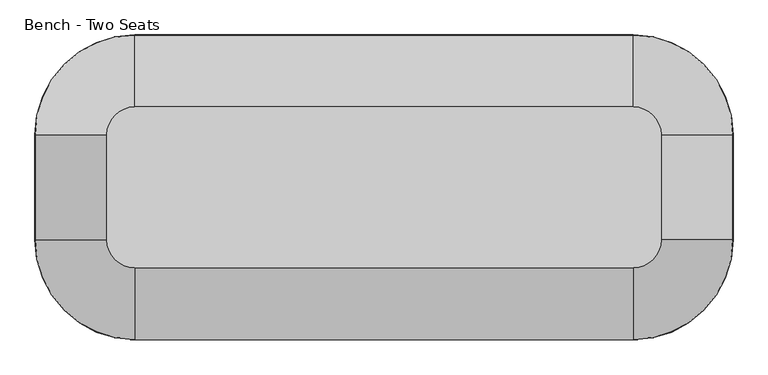
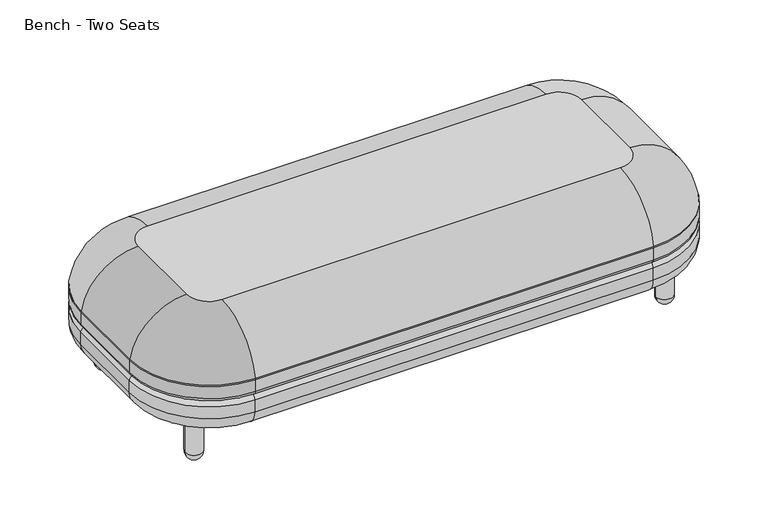
"""IFC4 building model written with IfcOpenShell, lengths in millimetres: furniture geometry, Bench - Two Seats."""

from ifc_helpers import new_model, si_unit, point, frame, origin, place, context, project, spatial, circle_curve, ellipse_curve, trimmed, source, transform, mapped, element, save
from ifc_brep_helpers import plane_surface, cylinder_surface, revolved_surface, advanced_brep


def bench_two_seats_2217c42d(model_context):
    return source(origin(), model_context, "Body", "AdvancedBrep", [
        advanced_brep(
        [(1295.4286011, 315.1683594, 275.7565503), (1524.0286011, 86.5683594, 275.7565503), (1524.0286011, 86.5683594, 239.7125), (1295.4286011, 315.1683594, 239.7125), (152.4286011, 315.1683594, 239.7125), (152.4286011, 315.1683594, 275.7565503), (-76.1713989, 86.5683594, 239.7125), (-76.1713989, 86.5683594, 275.7565503), (-76.1713989, -154.7316406, 239.7125), (-76.1713989, -154.7316406, 275.7565503), (152.4286011, -383.3316406, 239.7125), (152.4286011, -383.3316406, 275.7565503), (1295.4286011, -383.3316406, 239.7125), (1295.4286011, -383.3316406, 275.7565503), (1524.0286011, -154.7316406, 239.7125), (1524.0286011, -154.7316406, 275.7565503), (1511.3286011, 86.5683594, 227.0125), (1511.3286011, -154.7316406, 227.0125), (1295.4286011, -370.6316406, 227.0125), (152.4286011, -370.6316406, 227.0125), (-63.4713989, -154.7316406, 227.0125), (-63.4713989, 86.5683594, 227.0125), (152.4286011, 302.4683594, 227.0125), (1295.4286011, 302.4683594, 227.0125), (152.4286011, -218.2316406, 419.1), (1295.4286011, -218.2316406, 419.1), (1358.9286011, -154.7316406, 419.1), (1358.9286011, 86.5683594, 419.1), (1295.4286011, 150.0683594, 419.1), (152.4286011, 150.0683594, 419.1), (88.9286011, 86.5683594, 419.1), (88.9286011, -154.7316406, 419.1), (1523.6689183, 86.5683594, 280.0159534), (1295.4286011, 314.8086766, 280.0159534), (152.4286011, 314.8086766, 280.0159534), (-75.8117161, 86.5683594, 280.0159534), (-75.8117161, -154.7316406, 280.0159534), (152.4286011, -382.9719578, 280.0159534), (1295.4286011, -382.9719578, 280.0159534), (1523.6689183, -154.7316406, 280.0159534)],
        [
            (0, 1, circle_curve(frame((1295.4286011, 86.5683594, 275.7565503), z_axis=(0.0, 0.0, -1.0), x_axis=(1.0, 0.0, 0.0)), 228.6)),
            (1, 2),
            (2, 3, circle_curve(frame((1295.4286011, 86.5683594, 239.7125), z_axis=(0.0, 0.0, 1.0), x_axis=(1.0, 0.0, 0.0)), 228.6)),
            (3, 0),
            (3, 4),
            (4, 5),
            (5, 0),
            (4, 6, circle_curve(frame((152.4286011, 86.5683594, 239.7125), z_axis=(0.0, 0.0, 1.0), x_axis=(0.0, 1.0, 0.0)), 228.6)),
            (6, 7),
            (7, 5, circle_curve(frame((152.4286011, 86.5683594, 275.7565503), z_axis=(0.0, 0.0, -1.0), x_axis=(0.0, 1.0, 0.0)), 228.6)),
            (6, 8),
            (8, 9),
            (9, 7),
            (8, 10, circle_curve(frame((152.4286011, -154.7316406, 239.7125), z_axis=(0.0, 0.0, 1.0), x_axis=(-1.0, 0.0, 0.0)), 228.6)),
            (10, 11),
            (11, 9, circle_curve(frame((152.4286011, -154.7316406, 275.7565503), z_axis=(0.0, 0.0, -1.0), x_axis=(-1.0, 0.0, 0.0)), 228.6)),
            (10, 12),
            (12, 13),
            (13, 11),
            (12, 14, circle_curve(frame((1295.4286011, -154.7316406, 239.7125), z_axis=(0.0, 0.0, 1.0), x_axis=(0.0, -1.0, 0.0)), 228.6)),
            (14, 15),
            (15, 13, circle_curve(frame((1295.4286011, -154.7316406, 275.7565503), z_axis=(0.0, 0.0, -1.0), x_axis=(0.0, -1.0, 0.0)), 228.6)),
            (16, 17),
            (17, 18, circle_curve(frame((1295.4286011, -154.7316406, 227.0125), z_axis=(0.0, 0.0, -1.0), x_axis=(0.0, -1.0, 0.0)), 215.9)),
            (18, 19),
            (19, 20, circle_curve(frame((152.4286011, -154.7316406, 227.0125), z_axis=(0.0, 0.0, -1.0), x_axis=(-1.0, 0.0, 0.0)), 215.9)),
            (20, 21),
            (21, 22, circle_curve(frame((152.4286011, 86.5683594, 227.0125), z_axis=(0.0, 0.0, -1.0), x_axis=(0.0, 1.0, 0.0)), 215.9)),
            (22, 23),
            (23, 16, circle_curve(frame((1295.4286011, 86.5683594, 227.0125), z_axis=(0.0, 0.0, -1.0), x_axis=(1.0, 0.0, 0.0)), 215.9)),
            (1, 15),
            (14, 2),
            (24, 25),
            (25, 26, circle_curve(frame((1295.4286011, -154.7316406, 419.1), z_axis=(0.0, 0.0, 1.0), x_axis=(0.0, -1.0, 0.0)), 63.5)),
            (26, 27),
            (27, 28, circle_curve(frame((1295.4286011, 86.5683594, 419.1), z_axis=(0.0, 0.0, 1.0), x_axis=(1.0, 0.0, 0.0)), 63.5)),
            (28, 29),
            (29, 30, circle_curve(frame((152.4286011, 86.5683594, 419.1), z_axis=(0.0, 0.0, 1.0), x_axis=(0.0, 1.0, 0.0)), 63.5)),
            (30, 31),
            (31, 24, circle_curve(frame((152.4286011, -154.7316406, 419.1), z_axis=(0.0, 0.0, 1.0), x_axis=(-1.0, 0.0, 0.0)), 63.5)),
            (27, 32, circle_curve(frame((1358.9286011, 86.5683594, 251.9933287), z_axis=(0.0, 1.0, 0.0), x_axis=(-1.0, 0.0, 0.0)), 167.1066713)),
            (32, 33, circle_curve(frame((1295.4286011, 86.5683594, 280.0159534), z_axis=(0.0, 0.0, 1.0), x_axis=(1.0, 0.0, 0.0)), 228.2403172)),
            (33, 28, circle_curve(frame((1295.4286011, 150.0683594, 251.9933287), z_axis=(1.0, 0.0, 0.0), x_axis=(0.0, -1.0, 0.0)), 167.1066713)),
            (33, 34),
            (34, 29, circle_curve(frame((152.4286011, 150.0683594, 251.9933287), z_axis=(1.0, 0.0, 0.0), x_axis=(0.0, -1.0, 0.0)), 167.1066713)),
            (34, 35, circle_curve(frame((152.4286011, 86.5683594, 280.0159534), z_axis=(0.0, 0.0, 1.0), x_axis=(0.0, 1.0, 0.0)), 228.2403172)),
            (35, 30, circle_curve(frame((88.9286011, 86.5683594, 251.9933287), z_axis=(0.0, 1.0, 0.0), x_axis=(1.0, 0.0, 0.0)), 167.1066713)),
            (35, 36),
            (36, 31, circle_curve(frame((88.9286011, -154.7316406, 251.9933287), z_axis=(0.0, 1.0, 0.0), x_axis=(1.0, 0.0, 0.0)), 167.1066713)),
            (36, 37, circle_curve(frame((152.4286011, -154.7316406, 280.0159534), z_axis=(0.0, 0.0, 1.0), x_axis=(-1.0, 0.0, 0.0)), 228.2403172)),
            (37, 24, circle_curve(frame((152.4286011, -218.2316406, 251.9933287), z_axis=(-1.0, 0.0, 0.0), x_axis=(0.0, 1.0, 0.0)), 167.1066713)),
            (37, 38),
            (38, 25, circle_curve(frame((1295.4286011, -218.2316406, 251.9933287), z_axis=(-1.0, 0.0, 0.0), x_axis=(0.0, 1.0, 0.0)), 167.1066713)),
            (38, 39, circle_curve(frame((1295.4286011, -154.7316406, 280.0159534), z_axis=(0.0, 0.0, 1.0), x_axis=(0.0, -1.0, 0.0)), 228.2403172)),
            (39, 26, circle_curve(frame((1358.9286011, -154.7316406, 251.9933287), z_axis=(0.0, -1.0, 0.0), x_axis=(-1.0, 0.0, 0.0)), 167.1066713)),
            (39, 32),
            (0, 33, circle_curve(frame((1295.4286011, 289.7683594, 275.7565503), z_axis=(1.0, 0.0, 0.0), x_axis=(0.0, -1.0, 0.0)), 25.4)),
            (32, 1, circle_curve(frame((1498.6286011, 86.5683594, 275.7565503), z_axis=(0.0, 1.0, 0.0), x_axis=(-1.0, 0.0, 0.0)), 25.4)),
            (5, 34, circle_curve(frame((152.4286011, 289.7683594, 275.7565503), z_axis=(1.0, 0.0, 0.0), x_axis=(0.0, -1.0, 0.0)), 25.4)),
            (7, 35, circle_curve(frame((-50.7713989, 86.5683594, 275.7565503), z_axis=(0.0, 1.0, 0.0), x_axis=(1.0, 0.0, 0.0)), 25.4)),
            (9, 36, circle_curve(frame((-50.7713989, -154.7316406, 275.7565503), z_axis=(0.0, 1.0, 0.0), x_axis=(1.0, 0.0, 0.0)), 25.4)),
            (11, 37, circle_curve(frame((152.4286011, -357.9316406, 275.7565503), z_axis=(-1.0, 0.0, 0.0), x_axis=(0.0, 1.0, 0.0)), 25.4)),
            (13, 38, circle_curve(frame((1295.4286011, -357.9316406, 275.7565503), z_axis=(-1.0, 0.0, 0.0), x_axis=(0.0, 1.0, 0.0)), 25.4)),
            (15, 39, circle_curve(frame((1498.6286011, -154.7316406, 275.7565503), z_axis=(0.0, -1.0, 0.0), x_axis=(-1.0, 0.0, 0.0)), 25.4)),
            (2, 16, circle_curve(frame((1511.3286011, 86.5683594, 239.7125), z_axis=(0.0, 1.0, 0.0), x_axis=(-1.0, 0.0, 0.0)), 12.7)),
            (23, 3, circle_curve(frame((1295.4286011, 302.4683594, 239.7125), z_axis=(1.0, 0.0, 0.0), x_axis=(0.0, -1.0, 0.0)), 12.7)),
            (22, 4, circle_curve(frame((152.4286011, 302.4683594, 239.7125), z_axis=(1.0, 0.0, 0.0), x_axis=(0.0, -1.0, 0.0)), 12.7)),
            (21, 6, circle_curve(frame((-63.4713989, 86.5683594, 239.7125), z_axis=(0.0, 1.0, 0.0), x_axis=(1.0, 0.0, 0.0)), 12.7)),
            (20, 8, circle_curve(frame((-63.4713989, -154.7316406, 239.7125), z_axis=(0.0, 1.0, 0.0), x_axis=(1.0, 0.0, 0.0)), 12.7)),
            (19, 10, circle_curve(frame((152.4286011, -370.6316406, 239.7125), z_axis=(-1.0, 0.0, 0.0), x_axis=(0.0, 1.0, 0.0)), 12.7)),
            (18, 12, circle_curve(frame((1295.4286011, -370.6316406, 239.7125), z_axis=(-1.0, 0.0, 0.0), x_axis=(0.0, 1.0, 0.0)), 12.7)),
            (17, 14, circle_curve(frame((1511.3286011, -154.7316406, 239.7125), z_axis=(0.0, -1.0, 0.0), x_axis=(-1.0, 0.0, 0.0)), 12.7)),
        ],
        [
            cylinder_surface(frame((1295.4286011, 86.5683594, 419.1), z_axis=(0.0, 0.0, 1.0), x_axis=(1.0, 0.0, 0.0)), 228.6),
            plane_surface(frame((1295.4286011, 315.1683594, 239.7125), z_axis=(0.0, 1.0, 0.0), x_axis=(-1.0, 0.0, 0.0))),
            cylinder_surface(frame((152.4286011, 86.5683594, 419.1), z_axis=(0.0, 0.0, 1.0), x_axis=(0.0, 1.0, 0.0)), 228.6),
            plane_surface(frame((-76.1713989, 86.5683594, 239.7125), z_axis=(-1.0, 0.0, 0.0), x_axis=(0.0, -1.0, 0.0))),
            cylinder_surface(frame((152.4286011, -154.7316406, 419.1), z_axis=(0.0, 0.0, 1.0), x_axis=(-1.0, 0.0, 0.0)), 228.6),
            plane_surface(frame((152.4286011, -383.3316406, 239.7125), z_axis=(0.0, -1.0, 0.0), x_axis=(1.0, 0.0, 0.0))),
            cylinder_surface(frame((1295.4286011, -154.7316406, 419.1), z_axis=(0.0, 0.0, 1.0), x_axis=(0.0, -1.0, 0.0)), 228.6),
            plane_surface(frame((1333.5286011, -154.7316406, 227.0125), z_axis=(0.0, 0.0, -1.0), x_axis=(0.0, 1.0, 0.0))),
            plane_surface(frame((1524.0286011, -154.7316406, 239.7125), z_axis=(1.0, 0.0, 0.0), x_axis=(0.0, 1.0, 0.0))),
            plane_surface(frame((1358.9286011, -154.7316406, 419.1), z_axis=(0.0, 0.0, 1.0), x_axis=(0.0, 1.0, 0.0))),
            revolved_surface(trimmed(ellipse_curve(frame((1358.9286011, 86.5683594, 251.9933287), z_axis=(0.0, -1.0, 0.0), x_axis=(-1.0, 0.0, 0.0)), 167.1066713, 167.1066713), [point((1523.6689183, 86.5683594, 280.0159534))], [point((1358.9286011, 86.5683594, 419.1))], True, "CARTESIAN"), (1295.4286011, 86.5683594, 419.1), (0.0, 0.0, 1.0)),
            cylinder_surface(frame((1295.4286011, 150.0683594, 251.9933287), z_axis=(1.0, 0.0, 0.0), x_axis=(0.0, -1.0, 0.0)), 167.1066713),
            revolved_surface(trimmed(ellipse_curve(frame((152.4286011, 150.0683594, 251.9933287), z_axis=(1.0, 0.0, 0.0), x_axis=(0.0, -1.0, 0.0)), 167.1066713, 167.1066713), [point((152.4286011, 314.8086766, 280.0159534))], [point((152.4286011, 150.0683594, 419.1))], True, "CARTESIAN"), (152.4286011, 86.5683594, 419.1), (0.0, 0.0, 1.0)),
            cylinder_surface(frame((88.9286011, 86.5683594, 251.9933287), z_axis=(0.0, 1.0, 0.0), x_axis=(1.0, 0.0, 0.0)), 167.1066713),
            revolved_surface(trimmed(ellipse_curve(frame((88.9286011, -154.7316406, 251.9933287), z_axis=(0.0, 1.0, 0.0), x_axis=(1.0, 0.0, 0.0)), 167.1066713, 167.1066713), [point((-75.8117161, -154.7316406, 280.0159534))], [point((88.9286011, -154.7316406, 419.1))], True, "CARTESIAN"), (152.4286011, -154.7316406, 419.1), (0.0, 0.0, 1.0)),
            cylinder_surface(frame((152.4286011, -218.2316406, 251.9933287), z_axis=(-1.0, 0.0, 0.0), x_axis=(0.0, 1.0, 0.0)), 167.1066713),
            revolved_surface(trimmed(ellipse_curve(frame((1295.4286011, -218.2316406, 251.9933287), z_axis=(-1.0, 0.0, 0.0), x_axis=(0.0, 1.0, 0.0)), 167.1066713, 167.1066713), [point((1295.4286011, -382.9719578, 280.0159534))], [point((1295.4286011, -218.2316406, 419.1))], True, "CARTESIAN"), (1295.4286011, -154.7316406, 419.1), (0.0, 0.0, 1.0)),
            cylinder_surface(frame((1358.9286011, -154.7316406, 251.9933287), z_axis=(0.0, -1.0, 0.0), x_axis=(-1.0, 0.0, 0.0)), 167.1066713),
            revolved_surface(trimmed(ellipse_curve(frame((1498.6286011, 86.5683594, 275.7565503), z_axis=(0.0, -1.0, 0.0), x_axis=(-1.0, 0.0, 0.0)), 25.4, 25.4), [point((1524.0286011, 86.5683594, 275.7565503))], [point((1523.6689183, 86.5683594, 280.0159534))], True, "CARTESIAN"), (1295.4286011, 86.5683594, 419.1), (0.0, 0.0, 1.0)),
            cylinder_surface(frame((1295.4286011, 289.7683594, 275.7565503), z_axis=(1.0, 0.0, 0.0), x_axis=(0.0, -1.0, 0.0)), 25.4),
            revolved_surface(trimmed(ellipse_curve(frame((152.4286011, 289.7683594, 275.7565503), z_axis=(1.0, 0.0, 0.0), x_axis=(0.0, -1.0, 0.0)), 25.4, 25.4), [point((152.4286011, 315.1683594, 275.7565503))], [point((152.4286011, 314.8086766, 280.0159534))], True, "CARTESIAN"), (152.4286011, 86.5683594, 419.1), (0.0, 0.0, 1.0)),
            cylinder_surface(frame((-50.7713989, 86.5683594, 275.7565503), z_axis=(0.0, 1.0, 0.0), x_axis=(1.0, 0.0, 0.0)), 25.4),
            revolved_surface(trimmed(ellipse_curve(frame((-50.7713989, -154.7316406, 275.7565503), z_axis=(0.0, 1.0, 0.0), x_axis=(1.0, 0.0, 0.0)), 25.4, 25.4), [point((-76.1713989, -154.7316406, 275.7565503))], [point((-75.8117161, -154.7316406, 280.0159534))], True, "CARTESIAN"), (152.4286011, -154.7316406, 419.1), (0.0, 0.0, 1.0)),
            cylinder_surface(frame((152.4286011, -357.9316406, 275.7565503), z_axis=(-1.0, 0.0, 0.0), x_axis=(0.0, 1.0, 0.0)), 25.4),
            revolved_surface(trimmed(ellipse_curve(frame((1295.4286011, -357.9316406, 275.7565503), z_axis=(-1.0, 0.0, 0.0), x_axis=(0.0, 1.0, 0.0)), 25.4, 25.4), [point((1295.4286011, -383.3316406, 275.7565503))], [point((1295.4286011, -382.9719578, 280.0159534))], True, "CARTESIAN"), (1295.4286011, -154.7316406, 419.1), (0.0, 0.0, 1.0)),
            cylinder_surface(frame((1498.6286011, -154.7316406, 275.7565503), z_axis=(0.0, -1.0, 0.0), x_axis=(-1.0, 0.0, 0.0)), 25.4),
            revolved_surface(trimmed(ellipse_curve(frame((1511.3286011, 86.5683594, 239.7125), z_axis=(0.0, -1.0, 0.0), x_axis=(-1.0, 0.0, 0.0)), 12.7, 12.7), [point((1511.3286011, 86.5683594, 227.0125))], [point((1524.0286011, 86.5683594, 239.7125))], True, "CARTESIAN"), (1295.4286011, 86.5683594, 419.1), (0.0, 0.0, 1.0)),
            cylinder_surface(frame((1295.4286011, 302.4683594, 239.7125), z_axis=(1.0, 0.0, 0.0), x_axis=(0.0, -1.0, 0.0)), 12.7),
            revolved_surface(trimmed(ellipse_curve(frame((152.4286011, 302.4683594, 239.7125), z_axis=(1.0, 0.0, 0.0), x_axis=(0.0, -1.0, 0.0)), 12.7, 12.7), [point((152.4286011, 302.4683594, 227.0125))], [point((152.4286011, 315.1683594, 239.7125))], True, "CARTESIAN"), (152.4286011, 86.5683594, 419.1), (0.0, 0.0, 1.0)),
            cylinder_surface(frame((-63.4713989, 86.5683594, 239.7125), z_axis=(0.0, 1.0, 0.0), x_axis=(1.0, 0.0, 0.0)), 12.7),
            revolved_surface(trimmed(ellipse_curve(frame((-63.4713989, -154.7316406, 239.7125), z_axis=(0.0, 1.0, 0.0), x_axis=(1.0, 0.0, 0.0)), 12.7, 12.7), [point((-63.4713989, -154.7316406, 227.0125))], [point((-76.1713989, -154.7316406, 239.7125))], True, "CARTESIAN"), (152.4286011, -154.7316406, 419.1), (0.0, 0.0, 1.0)),
            cylinder_surface(frame((152.4286011, -370.6316406, 239.7125), z_axis=(-1.0, 0.0, 0.0), x_axis=(0.0, 1.0, 0.0)), 12.7),
            revolved_surface(trimmed(ellipse_curve(frame((1295.4286011, -370.6316406, 239.7125), z_axis=(-1.0, 0.0, 0.0), x_axis=(0.0, 1.0, 0.0)), 12.7, 12.7), [point((1295.4286011, -370.6316406, 227.0125))], [point((1295.4286011, -383.3316406, 239.7125))], True, "CARTESIAN"), (1295.4286011, -154.7316406, 419.1), (0.0, 0.0, 1.0)),
            cylinder_surface(frame((1511.3286011, -154.7316406, 239.7125), z_axis=(0.0, -1.0, 0.0), x_axis=(-1.0, 0.0, 0.0)), 12.7),
        ],
        [
            (0, [[1, 2, 3, 4]]),
            (1, [[-4, 5, 6, 7]]),
            (2, [[-6, 8, 9, 10]]),
            (3, [[-9, 11, 12, 13]]),
            (4, [[-12, 14, 15, 16]]),
            (5, [[-15, 17, 18, 19]]),
            (6, [[-18, 20, 21, 22]]),
            (7, [[23, 24, 25, 26, 27, 28, 29, 30]]),
            (8, [[-2, 31, -21, 32]]),
            (9, [[33, 34, 35, 36, 37, 38, 39, 40]]),
            (10, [[-36, 41, 42, 43]]),
            (11, [[-37, -43, 44, 45]]),
            (12, [[-38, -45, 46, 47]]),
            (13, [[-39, -47, 48, 49]]),
            (14, [[-40, -49, 50, 51]]),
            (15, [[-33, -51, 52, 53]]),
            (16, [[-34, -53, 54, 55]]),
            (17, [[-35, -55, 56, -41]]),
            (18, [[-1, 57, -42, 58]]),
            (19, [[-7, 59, -44, -57]]),
            (20, [[-10, 60, -46, -59]]),
            (21, [[-13, 61, -48, -60]]),
            (22, [[-16, 62, -50, -61]]),
            (23, [[-19, 63, -52, -62]]),
            (24, [[-22, 64, -54, -63]]),
            (25, [[-31, -58, -56, -64]]),
            (26, [[-3, 65, -30, 66]]),
            (27, [[-5, -66, -29, 67]]),
            (28, [[-8, -67, -28, 68]]),
            (29, [[-11, -68, -27, 69]]),
            (30, [[-14, -69, -26, 70]]),
            (31, [[-17, -70, -25, 71]]),
            (32, [[-20, -71, -24, 72]]),
            (33, [[-23, -65, -32, -72]]),
        ],
    ),
        advanced_brep(
        [(1295.4286011, -383.3316406, 178.59375), (1524.0286011, -154.7316406, 178.59375), (1524.0286011, -154.7316406, 214.3125), (1295.4286011, -383.3316406, 214.3125), (1295.4286011, -330.1503906, 125.4125), (1470.8473511, -154.7316406, 125.4125), (152.4286011, -383.3316406, 214.3125), (152.4286011, -383.3316406, 178.59375), (152.4286011, -330.1503906, 125.4125), (-76.1713989, -154.7316406, 214.3125), (-76.1713989, -154.7316406, 178.59375), (-22.9901489, -154.7316406, 125.4125), (-76.1713989, 86.5683594, 214.3125), (-76.1713989, 86.5683594, 178.59375), (-22.9901489, 86.5683594, 125.4125), (152.4286011, 315.1683594, 214.3125), (152.4286011, 315.1683594, 178.59375), (152.4286011, 261.9871094, 125.4125), (1295.4286011, 315.1683594, 214.3125), (1295.4286011, 315.1683594, 178.59375), (1295.4286011, 261.9871094, 125.4125), (1524.0286011, 86.5683594, 214.3125), (1524.0286011, 86.5683594, 178.59375), (1470.8473511, 86.5683594, 125.4125), (1511.3286011, -154.7316406, 227.0125), (1511.3286011, 86.5683594, 227.0125), (1295.4286011, 302.4683594, 227.0125), (152.4286011, 302.4683594, 227.0125), (-63.4713989, 86.5683594, 227.0125), (-63.4713989, -154.7316406, 227.0125), (152.4286011, -370.6316406, 227.0125), (1295.4286011, -370.6316406, 227.0125)],
        [
            (0, 1, circle_curve(frame((1295.4286011, -154.7316406, 178.59375), z_axis=(0.0, 0.0, 1.0), x_axis=(1.0, 0.0, 0.0)), 228.6)),
            (1, 2),
            (2, 3, circle_curve(frame((1295.4286011, -154.7316406, 214.3125), z_axis=(0.0, 0.0, -1.0), x_axis=(1.0, 0.0, 0.0)), 228.6)),
            (3, 0),
            (0, 4, circle_curve(frame((1295.4286011, -330.1503906, 178.59375), z_axis=(1.0, 0.0, 0.0), x_axis=(0.0, 1.0, 0.0)), 53.18125)),
            (4, 5, circle_curve(frame((1295.4286011, -154.7316406, 125.4125), z_axis=(0.0, 0.0, 1.0), x_axis=(1.0, 0.0, 0.0)), 175.41875)),
            (5, 1, circle_curve(frame((1470.8473511, -154.7316406, 178.59375), z_axis=(0.0, -1.0, 0.0), x_axis=(-1.0, 0.0, 0.0)), 53.18125)),
            (3, 6),
            (6, 7),
            (7, 0),
            (7, 8, circle_curve(frame((152.4286011, -330.1503906, 178.59375), z_axis=(1.0, 0.0, 0.0), x_axis=(0.0, 1.0, 0.0)), 53.18125)),
            (8, 4),
            (6, 9, circle_curve(frame((152.4286011, -154.7316406, 214.3125), z_axis=(0.0, 0.0, -1.0), x_axis=(0.0, -1.0, 0.0)), 228.6)),
            (9, 10),
            (10, 7, circle_curve(frame((152.4286011, -154.7316406, 178.59375), z_axis=(0.0, 0.0, 1.0), x_axis=(0.0, -1.0, 0.0)), 228.6)),
            (10, 11, circle_curve(frame((-22.9901489, -154.7316406, 178.59375), z_axis=(0.0, -1.0, 0.0), x_axis=(1.0, 0.0, 0.0)), 53.18125)),
            (11, 8, circle_curve(frame((152.4286011, -154.7316406, 125.4125), z_axis=(0.0, 0.0, 1.0), x_axis=(0.0, -1.0, 0.0)), 175.41875)),
            (9, 12),
            (12, 13),
            (13, 10),
            (13, 14, circle_curve(frame((-22.9901489, 86.5683594, 178.59375), z_axis=(0.0, -1.0, 0.0), x_axis=(1.0, 0.0, 0.0)), 53.18125)),
            (14, 11),
            (12, 15, circle_curve(frame((152.4286011, 86.5683594, 214.3125), z_axis=(0.0, 0.0, -1.0), x_axis=(-1.0, 0.0, 0.0)), 228.6)),
            (15, 16),
            (16, 13, circle_curve(frame((152.4286011, 86.5683594, 178.59375), z_axis=(0.0, 0.0, 1.0), x_axis=(-1.0, 0.0, 0.0)), 228.6)),
            (16, 17, circle_curve(frame((152.4286011, 261.9871094, 178.59375), z_axis=(-1.0, 0.0, 0.0), x_axis=(0.0, -1.0, 0.0)), 53.18125)),
            (17, 14, circle_curve(frame((152.4286011, 86.5683594, 125.4125), z_axis=(0.0, 0.0, 1.0), x_axis=(-1.0, 0.0, 0.0)), 175.41875)),
            (15, 18),
            (18, 19),
            (19, 16),
            (19, 20, circle_curve(frame((1295.4286011, 261.9871094, 178.59375), z_axis=(-1.0, 0.0, 0.0), x_axis=(0.0, -1.0, 0.0)), 53.18125)),
            (20, 17),
            (18, 21, circle_curve(frame((1295.4286011, 86.5683594, 214.3125), z_axis=(0.0, 0.0, -1.0), x_axis=(0.0, 1.0, 0.0)), 228.6)),
            (21, 22),
            (22, 19, circle_curve(frame((1295.4286011, 86.5683594, 178.59375), z_axis=(0.0, 0.0, 1.0), x_axis=(0.0, 1.0, 0.0)), 228.6)),
            (22, 23, circle_curve(frame((1470.8473511, 86.5683594, 178.59375), z_axis=(0.0, 1.0, 0.0), x_axis=(-1.0, 0.0, 0.0)), 53.18125)),
            (23, 20, circle_curve(frame((1295.4286011, 86.5683594, 125.4125), z_axis=(0.0, 0.0, 1.0), x_axis=(0.0, 1.0, 0.0)), 175.41875)),
            (24, 25),
            (25, 26, circle_curve(frame((1295.4286011, 86.5683594, 227.0125), z_axis=(0.0, 0.0, 1.0), x_axis=(0.0, 1.0, 0.0)), 215.9)),
            (26, 27),
            (27, 28, circle_curve(frame((152.4286011, 86.5683594, 227.0125), z_axis=(0.0, 0.0, 1.0), x_axis=(-1.0, 0.0, 0.0)), 215.9)),
            (28, 29),
            (29, 30, circle_curve(frame((152.4286011, -154.7316406, 227.0125), z_axis=(0.0, 0.0, 1.0), x_axis=(0.0, -1.0, 0.0)), 215.9)),
            (30, 31),
            (31, 24, circle_curve(frame((1295.4286011, -154.7316406, 227.0125), z_axis=(0.0, 0.0, 1.0), x_axis=(1.0, 0.0, 0.0)), 215.9)),
            (1, 22),
            (21, 2),
            (5, 23),
            (2, 24, circle_curve(frame((1511.3286011, -154.7316406, 214.3125), z_axis=(0.0, -1.0, 0.0), x_axis=(-1.0, 0.0, 0.0)), 12.7)),
            (31, 3, circle_curve(frame((1295.4286011, -370.6316406, 214.3125), z_axis=(1.0, 0.0, 0.0), x_axis=(0.0, 1.0, 0.0)), 12.7)),
            (30, 6, circle_curve(frame((152.4286011, -370.6316406, 214.3125), z_axis=(1.0, 0.0, 0.0), x_axis=(0.0, 1.0, 0.0)), 12.7)),
            (29, 9, circle_curve(frame((-63.4713989, -154.7316406, 214.3125), z_axis=(0.0, -1.0, 0.0), x_axis=(1.0, 0.0, 0.0)), 12.7)),
            (28, 12, circle_curve(frame((-63.4713989, 86.5683594, 214.3125), z_axis=(0.0, -1.0, 0.0), x_axis=(1.0, 0.0, 0.0)), 12.7)),
            (27, 15, circle_curve(frame((152.4286011, 302.4683594, 214.3125), z_axis=(-1.0, 0.0, 0.0), x_axis=(0.0, -1.0, 0.0)), 12.7)),
            (26, 18, circle_curve(frame((1295.4286011, 302.4683594, 214.3125), z_axis=(-1.0, 0.0, 0.0), x_axis=(0.0, -1.0, 0.0)), 12.7)),
            (25, 21, circle_curve(frame((1511.3286011, 86.5683594, 214.3125), z_axis=(0.0, 1.0, 0.0), x_axis=(-1.0, 0.0, 0.0)), 12.7)),
        ],
        [
            cylinder_surface(frame((1295.4286011, -154.7316406, 125.4125), z_axis=(0.0, 0.0, -1.0), x_axis=(1.0, 0.0, 0.0)), 228.6),
            revolved_surface(trimmed(ellipse_curve(frame((1470.8473511, -154.7316406, 178.59375), z_axis=(0.0, 1.0, 0.0), x_axis=(-1.0, 0.0, 0.0)), 53.18125, 53.18125), [point((1524.0286011, -154.7316406, 178.59375))], [point((1470.8473511, -154.7316406, 125.4125))], True, "CARTESIAN"), (1295.4286011, -154.7316406, 125.4125), (0.0, 0.0, -1.0)),
            plane_surface(frame((1295.4286011, -383.3316406, 214.3125), z_axis=(0.0, -1.0, 0.0), x_axis=(-1.0, 0.0, 0.0))),
            cylinder_surface(frame((1295.4286011, -330.1503906, 178.59375), z_axis=(1.0, 0.0, 0.0), x_axis=(0.0, 1.0, 0.0)), 53.18125),
            cylinder_surface(frame((152.4286011, -154.7316406, 125.4125), z_axis=(0.0, 0.0, -1.0), x_axis=(0.0, -1.0, 0.0)), 228.6),
            revolved_surface(trimmed(ellipse_curve(frame((152.4286011, -330.1503906, 178.59375), z_axis=(1.0, 0.0, 0.0), x_axis=(0.0, 1.0, 0.0)), 53.18125, 53.18125), [point((152.4286011, -383.3316406, 178.59375))], [point((152.4286011, -330.1503906, 125.4125))], True, "CARTESIAN"), (152.4286011, -154.7316406, 125.4125), (0.0, 0.0, -1.0)),
            plane_surface(frame((-76.1713989, -154.7316406, 214.3125), z_axis=(-1.0, 0.0, 0.0), x_axis=(0.0, 1.0, 0.0))),
            cylinder_surface(frame((-22.9901489, -154.7316406, 178.59375), z_axis=(0.0, -1.0, 0.0), x_axis=(1.0, 0.0, 0.0)), 53.18125),
            cylinder_surface(frame((152.4286011, 86.5683594, 125.4125), z_axis=(0.0, 0.0, -1.0), x_axis=(-1.0, 0.0, 0.0)), 228.6),
            revolved_surface(trimmed(ellipse_curve(frame((-22.9901489, 86.5683594, 178.59375), z_axis=(0.0, -1.0, 0.0), x_axis=(1.0, 0.0, 0.0)), 53.18125, 53.18125), [point((-76.1713989, 86.5683594, 178.59375))], [point((-22.9901489, 86.5683594, 125.4125))], True, "CARTESIAN"), (152.4286011, 86.5683594, 125.4125), (0.0, 0.0, -1.0)),
            plane_surface(frame((152.4286011, 315.1683594, 214.3125), z_axis=(0.0, 1.0, 0.0), x_axis=(1.0, 0.0, 0.0))),
            cylinder_surface(frame((152.4286011, 261.9871094, 178.59375), z_axis=(-1.0, 0.0, 0.0), x_axis=(0.0, -1.0, 0.0)), 53.18125),
            cylinder_surface(frame((1295.4286011, 86.5683594, 125.4125), z_axis=(0.0, 0.0, -1.0), x_axis=(0.0, 1.0, 0.0)), 228.6),
            revolved_surface(trimmed(ellipse_curve(frame((1295.4286011, 261.9871094, 178.59375), z_axis=(-1.0, 0.0, 0.0), x_axis=(0.0, -1.0, 0.0)), 53.18125, 53.18125), [point((1295.4286011, 315.1683594, 178.59375))], [point((1295.4286011, 261.9871094, 125.4125))], True, "CARTESIAN"), (1295.4286011, 86.5683594, 125.4125), (0.0, 0.0, -1.0)),
            plane_surface(frame((1333.5286011, 86.5683594, 227.0125), z_axis=(0.0, 0.0, 1.0), x_axis=(0.0, -1.0, 0.0))),
            plane_surface(frame((1524.0286011, 86.5683594, 214.3125), z_axis=(1.0, 0.0, 0.0), x_axis=(0.0, -1.0, 0.0))),
            cylinder_surface(frame((1470.8473511, 86.5683594, 178.59375), z_axis=(0.0, 1.0, 0.0), x_axis=(-1.0, 0.0, 0.0)), 53.18125),
            plane_surface(frame((1470.8473511, 86.5683594, 125.4125), z_axis=(0.0, 0.0, -1.0), x_axis=(0.0, -1.0, 0.0))),
            revolved_surface(trimmed(ellipse_curve(frame((1511.3286011, -154.7316406, 214.3125), z_axis=(0.0, 1.0, 0.0), x_axis=(-1.0, 0.0, 0.0)), 12.7, 12.7), [point((1511.3286011, -154.7316406, 227.0125))], [point((1524.0286011, -154.7316406, 214.3125))], True, "CARTESIAN"), (1295.4286011, -154.7316406, 125.4125), (0.0, 0.0, -1.0)),
            cylinder_surface(frame((1295.4286011, -370.6316406, 214.3125), z_axis=(1.0, 0.0, 0.0), x_axis=(0.0, 1.0, 0.0)), 12.7),
            revolved_surface(trimmed(ellipse_curve(frame((152.4286011, -370.6316406, 214.3125), z_axis=(1.0, 0.0, 0.0), x_axis=(0.0, 1.0, 0.0)), 12.7, 12.7), [point((152.4286011, -370.6316406, 227.0125))], [point((152.4286011, -383.3316406, 214.3125))], True, "CARTESIAN"), (152.4286011, -154.7316406, 125.4125), (0.0, 0.0, -1.0)),
            cylinder_surface(frame((-63.4713989, -154.7316406, 214.3125), z_axis=(0.0, -1.0, 0.0), x_axis=(1.0, 0.0, 0.0)), 12.7),
            revolved_surface(trimmed(ellipse_curve(frame((-63.4713989, 86.5683594, 214.3125), z_axis=(0.0, -1.0, 0.0), x_axis=(1.0, 0.0, 0.0)), 12.7, 12.7), [point((-63.4713989, 86.5683594, 227.0125))], [point((-76.1713989, 86.5683594, 214.3125))], True, "CARTESIAN"), (152.4286011, 86.5683594, 125.4125), (0.0, 0.0, -1.0)),
            cylinder_surface(frame((152.4286011, 302.4683594, 214.3125), z_axis=(-1.0, 0.0, 0.0), x_axis=(0.0, -1.0, 0.0)), 12.7),
            revolved_surface(trimmed(ellipse_curve(frame((1295.4286011, 302.4683594, 214.3125), z_axis=(-1.0, 0.0, 0.0), x_axis=(0.0, -1.0, 0.0)), 12.7, 12.7), [point((1295.4286011, 302.4683594, 227.0125))], [point((1295.4286011, 315.1683594, 214.3125))], True, "CARTESIAN"), (1295.4286011, 86.5683594, 125.4125), (0.0, 0.0, -1.0)),
            cylinder_surface(frame((1511.3286011, 86.5683594, 214.3125), z_axis=(0.0, 1.0, 0.0), x_axis=(-1.0, 0.0, 0.0)), 12.7),
        ],
        [
            (0, [[1, 2, 3, 4]]),
            (1, [[-1, 5, 6, 7]]),
            (2, [[-4, 8, 9, 10]]),
            (3, [[-5, -10, 11, 12]]),
            (4, [[-9, 13, 14, 15]]),
            (5, [[-11, -15, 16, 17]]),
            (6, [[-14, 18, 19, 20]]),
            (7, [[-16, -20, 21, 22]]),
            (8, [[-19, 23, 24, 25]]),
            (9, [[-21, -25, 26, 27]]),
            (10, [[-24, 28, 29, 30]]),
            (11, [[-26, -30, 31, 32]]),
            (12, [[-29, 33, 34, 35]]),
            (13, [[-31, -35, 36, 37]]),
            (14, [[38, 39, 40, 41, 42, 43, 44, 45]]),
            (15, [[-2, 46, -34, 47]]),
            (16, [[-7, 48, -36, -46]]),
            (17, [[-6, -12, -17, -22, -27, -32, -37, -48]]),
            (18, [[-3, 49, -45, 50]]),
            (19, [[-8, -50, -44, 51]]),
            (20, [[-13, -51, -43, 52]]),
            (21, [[-18, -52, -42, 53]]),
            (22, [[-23, -53, -41, 54]]),
            (23, [[-28, -54, -40, 55]]),
            (24, [[-33, -55, -39, 56]]),
            (25, [[-38, -49, -47, -56]]),
        ],
    ),
        advanced_brep(
        [(1389.5601417, 190.2519531, 0.0), (1408.664248, 190.2519531, 0.0), (1399.1121949, 190.2519531, 0.0), (1399.1121949, 190.2519531, 204.0), (1423.6704942, 190.2519531, 204.0), (1374.5538955, 190.2519531, 204.0), (1423.6704942, 190.2519531, 23.6724089), (1374.5538955, 190.2519531, 23.6724089)],
        [
            (0, 1, circle_curve(frame((1399.1121949, 190.2519531, 0.0), z_axis=(0.0, 0.0, -1.0), x_axis=(1.0, 0.0, 0.0)), 9.5520532)),
            (1, 2),
            (2, 0),
            (1, 0, circle_curve(frame((1399.1121949, 190.2519531, 0.0), z_axis=(0.0, 0.0, -1.0), x_axis=(1.0, 0.0, 0.0)), 9.5520532)),
            (3, 4),
            (4, 5, circle_curve(frame((1399.1121949, 190.2519531, 204.0), z_axis=(0.0, 0.0, 1.0), x_axis=(1.0, 0.0, 0.0)), 24.5582993)),
            (5, 3),
            (5, 4, circle_curve(frame((1399.1121949, 190.2519531, 204.0), z_axis=(0.0, 0.0, 1.0), x_axis=(1.0, 0.0, 0.0)), 24.5582993)),
            (4, 6),
            (6, 7, circle_curve(frame((1399.1121949, 190.2519531, 23.6724089), z_axis=(0.0, 0.0, 1.0), x_axis=(1.0, 0.0, 0.0)), 24.5582993)),
            (7, 5),
            (7, 6, circle_curve(frame((1399.1121949, 190.2519531, 23.6724089), z_axis=(0.0, 0.0, 1.0), x_axis=(1.0, 0.0, 0.0)), 24.5582993)),
            (6, 1, ellipse_curve(frame((1398.0811309, 190.2519531, 23.6724089), z_axis=(0.0, 1.0, 0.0), x_axis=(0.0, 0.0, 1.0)), 26.000204, 25.5893633)),
            (0, 7, ellipse_curve(frame((1400.1432588, 190.2519531, 23.6724089), z_axis=(0.0, 1.0, 0.0), x_axis=(0.0, 0.0, 1.0)), 26.000204, 25.5893633)),
        ],
        [
            plane_surface(frame((1399.1121949, 190.2519531, 0.0), z_axis=(0.0, 0.0, -1.0), x_axis=(1.0, 0.0, 0.0))),
            plane_surface(frame((1399.1121949, 190.2519531, 204.0), z_axis=(0.0, 0.0, 1.0), x_axis=(1.0, 0.0, 0.0))),
            cylinder_surface(frame((1399.1121949, 190.2519531, -76.2), z_axis=(0.0, 0.0, 1.0), x_axis=(1.0, 0.0, 0.0)), 24.5582993),
            revolved_surface(trimmed(ellipse_curve(frame((1398.0811309, 190.2519531, 23.6724089), z_axis=(0.0, -1.0, 0.0), x_axis=(0.0, 0.0, 1.0)), 26.000204, 25.5893633), [point((1408.664248, 190.2519531, 0.0))], [point((1423.6704942, 190.2519531, 23.6724089))], True, "CARTESIAN"), (1399.1121949, 190.2519531, -76.2), (0.0, 0.0, 1.0)),
        ],
        [
            (0, [[1, 2, 3]]),
            (0, [[4, -3, -2]]),
            (1, [[5, 6, 7]]),
            (1, [[-7, 8, -5]]),
            (2, [[-6, 9, 10, 11]]),
            (2, [[-8, -11, 12, -9]]),
            (3, [[-10, 13, -1, 14]]),
            (3, [[-12, -14, -4, -13]]),
        ],
    ),
        advanced_brep(
        [(39.1929542, 190.2519531, 0.0), (58.2970605, 190.2519531, 0.0), (48.7450074, 190.2519531, 0.0), (48.7450074, 190.2519531, 204.0), (73.3033067, 190.2519531, 204.0), (24.186708, 190.2519531, 204.0), (73.3033067, 190.2519531, 23.6724089), (24.186708, 190.2519531, 23.6724089)],
        [
            (0, 1, circle_curve(frame((48.7450074, 190.2519531, 0.0), z_axis=(0.0, 0.0, -1.0), x_axis=(1.0, 0.0, 0.0)), 9.5520532)),
            (1, 2),
            (2, 0),
            (1, 0, circle_curve(frame((48.7450074, 190.2519531, 0.0), z_axis=(0.0, 0.0, -1.0), x_axis=(1.0, 0.0, 0.0)), 9.5520532)),
            (3, 4),
            (4, 5, circle_curve(frame((48.7450074, 190.2519531, 204.0), z_axis=(0.0, 0.0, 1.0), x_axis=(1.0, 0.0, 0.0)), 24.5582993)),
            (5, 3),
            (5, 4, circle_curve(frame((48.7450074, 190.2519531, 204.0), z_axis=(0.0, 0.0, 1.0), x_axis=(1.0, 0.0, 0.0)), 24.5582993)),
            (4, 6),
            (6, 7, circle_curve(frame((48.7450074, 190.2519531, 23.6724089), z_axis=(0.0, 0.0, 1.0), x_axis=(1.0, 0.0, 0.0)), 24.5582993)),
            (7, 5),
            (7, 6, circle_curve(frame((48.7450074, 190.2519531, 23.6724089), z_axis=(0.0, 0.0, 1.0), x_axis=(1.0, 0.0, 0.0)), 24.5582993)),
            (6, 1, ellipse_curve(frame((47.7139434, 190.2519531, 23.6724089), z_axis=(0.0, 1.0, 0.0), x_axis=(0.0, 0.0, 1.0)), 26.000204, 25.5893633)),
            (0, 7, ellipse_curve(frame((49.7760713, 190.2519531, 23.6724089), z_axis=(0.0, 1.0, 0.0), x_axis=(0.0, 0.0, 1.0)), 26.000204, 25.5893633)),
        ],
        [
            plane_surface(frame((48.7450074, 190.2519531, 0.0), z_axis=(0.0, 0.0, -1.0), x_axis=(1.0, 0.0, 0.0))),
            plane_surface(frame((48.7450074, 190.2519531, 204.0), z_axis=(0.0, 0.0, 1.0), x_axis=(1.0, 0.0, 0.0))),
            cylinder_surface(frame((48.7450074, 190.2519531, -76.2), z_axis=(0.0, 0.0, 1.0), x_axis=(1.0, 0.0, 0.0)), 24.5582993),
            revolved_surface(trimmed(ellipse_curve(frame((47.7139434, 190.2519531, 23.6724089), z_axis=(0.0, -1.0, 0.0), x_axis=(0.0, 0.0, 1.0)), 26.000204, 25.5893633), [point((58.2970605, 190.2519531, 0.0))], [point((73.3033067, 190.2519531, 23.6724089))], True, "CARTESIAN"), (48.7450074, 190.2519531, -76.2), (0.0, 0.0, 1.0)),
        ],
        [
            (0, [[1, 2, 3]]),
            (0, [[4, -3, -2]]),
            (1, [[5, 6, 7]]),
            (1, [[-7, 8, -5]]),
            (2, [[-6, 9, 10, 11]]),
            (2, [[-8, -11, 12, -9]]),
            (3, [[-10, 13, -1, 14]]),
            (3, [[-12, -14, -4, -13]]),
        ],
    ),
        advanced_brep(
        [(1399.1121949, -258.4152344, 0.0), (1408.664248, -258.4152344, 0.0), (1389.5601417, -258.4152344, 0.0), (1374.5538955, -258.4152344, 204.0), (1423.6704942, -258.4152344, 204.0), (1399.1121949, -258.4152344, 204.0), (1374.5538955, -258.4152344, 23.6724089), (1423.6704942, -258.4152344, 23.6724089)],
        [
            (0, 1),
            (1, 2, circle_curve(frame((1399.1121949, -258.4152344, 0.0), z_axis=(0.0, 0.0, -1.0), x_axis=(1.0, 0.0, 0.0)), 9.5520532)),
            (2, 0),
            (2, 1, circle_curve(frame((1399.1121949, -258.4152344, 0.0), z_axis=(0.0, 0.0, -1.0), x_axis=(1.0, 0.0, 0.0)), 9.5520532)),
            (3, 4, circle_curve(frame((1399.1121949, -258.4152344, 204.0), z_axis=(0.0, 0.0, 1.0), x_axis=(1.0, 0.0, 0.0)), 24.5582993)),
            (4, 5),
            (5, 3),
            (4, 3, circle_curve(frame((1399.1121949, -258.4152344, 204.0), z_axis=(0.0, 0.0, 1.0), x_axis=(1.0, 0.0, 0.0)), 24.5582993)),
            (6, 7, circle_curve(frame((1399.1121949, -258.4152344, 23.6724089), z_axis=(0.0, 0.0, 1.0), x_axis=(1.0, 0.0, 0.0)), 24.5582993)),
            (7, 4),
            (3, 6),
            (7, 6, circle_curve(frame((1399.1121949, -258.4152344, 23.6724089), z_axis=(0.0, 0.0, 1.0), x_axis=(1.0, 0.0, 0.0)), 24.5582993)),
            (1, 7, ellipse_curve(frame((1398.0811309, -258.4152344, 23.6724089), z_axis=(0.0, -1.0, 0.0), x_axis=(0.0, 0.0, 1.0)), 26.000204, 25.5893633)),
            (6, 2, ellipse_curve(frame((1400.1432588, -258.4152344, 23.6724089), z_axis=(0.0, -1.0, 0.0), x_axis=(0.0, 0.0, 1.0)), 26.000204, 25.5893633)),
        ],
        [
            plane_surface(frame((1399.1121949, -258.4152344, 0.0), z_axis=(0.0, 0.0, -1.0), x_axis=(1.0, 0.0, 0.0))),
            plane_surface(frame((1399.1121949, -258.4152344, 204.0), z_axis=(0.0, 0.0, 1.0), x_axis=(1.0, 0.0, 0.0))),
            cylinder_surface(frame((1399.1121949, -258.4152344, -76.2), z_axis=(0.0, 0.0, -1.0), x_axis=(1.0, 0.0, 0.0)), 24.5582993),
            revolved_surface(trimmed(ellipse_curve(frame((1398.0811309, -258.4152344, 23.6724089), z_axis=(0.0, 1.0, 0.0), x_axis=(0.0, 0.0, 1.0)), 26.000204, 25.5893633), [point((1423.6704942, -258.4152344, 23.6724089))], [point((1408.664248, -258.4152344, 0.0))], True, "CARTESIAN"), (1399.1121949, -258.4152344, -76.2), (0.0, 0.0, -1.0)),
        ],
        [
            (0, [[1, 2, 3]]),
            (0, [[-3, 4, -1]]),
            (1, [[5, 6, 7]]),
            (1, [[8, -7, -6]]),
            (2, [[9, 10, -5, 11]]),
            (2, [[12, -11, -8, -10]]),
            (3, [[-2, 13, -9, 14]]),
            (3, [[-4, -14, -12, -13]]),
        ],
    ),
        advanced_brep(
        [(48.7450074, -258.4152344, 0.0), (58.2970605, -258.4152344, 0.0), (39.1929542, -258.4152344, 0.0), (24.186708, -258.4152344, 204.0), (73.3033067, -258.4152344, 204.0), (48.7450074, -258.4152344, 204.0), (24.186708, -258.4152344, 23.6724089), (73.3033067, -258.4152344, 23.6724089)],
        [
            (0, 1),
            (1, 2, circle_curve(frame((48.7450074, -258.4152344, 0.0), z_axis=(0.0, 0.0, -1.0), x_axis=(1.0, 0.0, 0.0)), 9.5520532)),
            (2, 0),
            (2, 1, circle_curve(frame((48.7450074, -258.4152344, 0.0), z_axis=(0.0, 0.0, -1.0), x_axis=(1.0, 0.0, 0.0)), 9.5520532)),
            (3, 4, circle_curve(frame((48.7450074, -258.4152344, 204.0), z_axis=(0.0, 0.0, 1.0), x_axis=(1.0, 0.0, 0.0)), 24.5582993)),
            (4, 5),
            (5, 3),
            (4, 3, circle_curve(frame((48.7450074, -258.4152344, 204.0), z_axis=(0.0, 0.0, 1.0), x_axis=(1.0, 0.0, 0.0)), 24.5582993)),
            (6, 7, circle_curve(frame((48.7450074, -258.4152344, 23.6724089), z_axis=(0.0, 0.0, 1.0), x_axis=(1.0, 0.0, 0.0)), 24.5582993)),
            (7, 4),
            (3, 6),
            (7, 6, circle_curve(frame((48.7450074, -258.4152344, 23.6724089), z_axis=(0.0, 0.0, 1.0), x_axis=(1.0, 0.0, 0.0)), 24.5582993)),
            (1, 7, ellipse_curve(frame((47.7139434, -258.4152344, 23.6724089), z_axis=(0.0, -1.0, 0.0), x_axis=(0.0, 0.0, 1.0)), 26.000204, 25.5893633)),
            (6, 2, ellipse_curve(frame((49.7760713, -258.4152344, 23.6724089), z_axis=(0.0, -1.0, 0.0), x_axis=(0.0, 0.0, 1.0)), 26.000204, 25.5893633)),
        ],
        [
            plane_surface(frame((48.7450074, -258.4152344, 0.0), z_axis=(0.0, 0.0, -1.0), x_axis=(1.0, 0.0, 0.0))),
            plane_surface(frame((48.7450074, -258.4152344, 204.0), z_axis=(0.0, 0.0, 1.0), x_axis=(1.0, 0.0, 0.0))),
            cylinder_surface(frame((48.7450074, -258.4152344, -76.2), z_axis=(0.0, 0.0, -1.0), x_axis=(1.0, 0.0, 0.0)), 24.5582993),
            revolved_surface(trimmed(ellipse_curve(frame((47.7139434, -258.4152344, 23.6724089), z_axis=(0.0, 1.0, 0.0), x_axis=(0.0, 0.0, 1.0)), 26.000204, 25.5893633), [point((73.3033067, -258.4152344, 23.6724089))], [point((58.2970605, -258.4152344, 0.0))], True, "CARTESIAN"), (48.7450074, -258.4152344, -76.2), (0.0, 0.0, -1.0)),
        ],
        [
            (0, [[1, 2, 3]]),
            (0, [[-3, 4, -1]]),
            (1, [[5, 6, 7]]),
            (1, [[8, -7, -6]]),
            (2, [[9, 10, -5, 11]]),
            (2, [[12, -11, -8, -10]]),
            (3, [[-2, 13, -9, 14]]),
            (3, [[-4, -14, -12, -13]]),
        ],
    ),
    ])


if __name__ == "__main__":
    model = new_model("IFC4")
    model_context = context("Model", 3, world=origin())
    ifc_project = project(units=[si_unit("LENGTHUNIT", "METRE", prefix="MILLI")], contexts=[model_context])
    site = spatial("IfcSite", under=ifc_project)
    building = spatial("IfcBuilding", under=site)
    placement = place(None, origin())
    bench_two_seats_shape = bench_two_seats_2217c42d(model_context)
    element("IfcFurniture", 1, ObjectType="Bench - Two Seats", at=placement, inside=building, context=model_context, shape_type="MappedRepresentation", body=[
        mapped(bench_two_seats_shape, transform((0.0, 0.0, 0.0), x_axis=(1.0, 0.0, 0.0), y_axis=(0.0, 1.0, 0.0), z_axis=(0.0, 0.0, 1.0))),
    ])
    save(model, "model.ifc")
